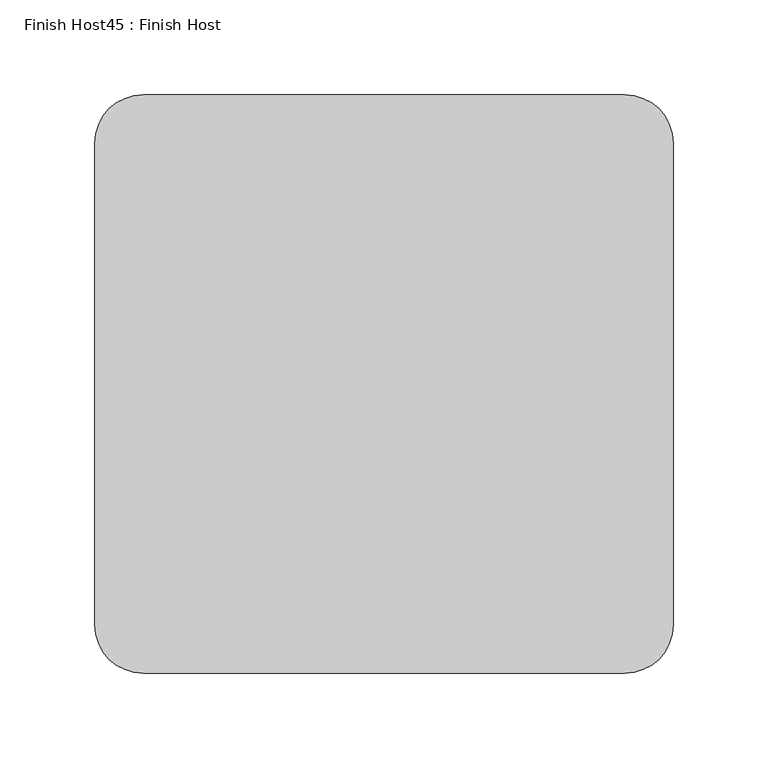
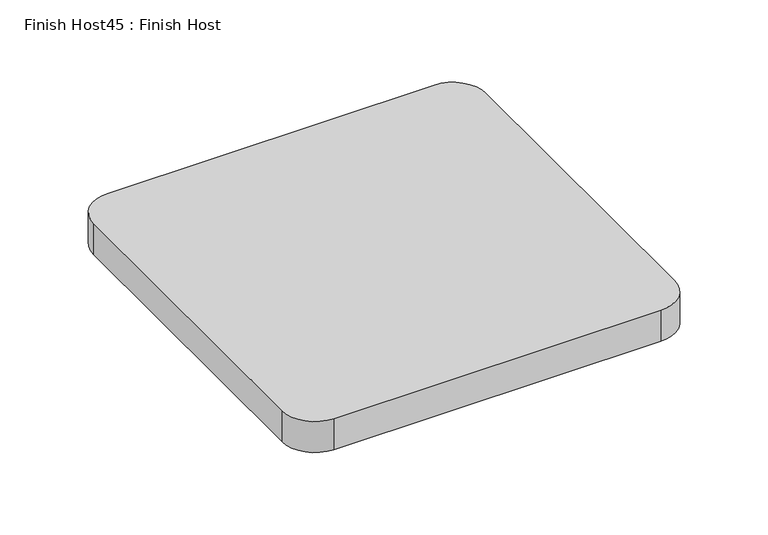
"""IFC4 building model written with IfcOpenShell, lengths in millimetres: proxy geometry, Finish Host45 : Finish Host."""

from ifc_helpers import new_model, si_unit, point, frame_2d, origin, origin_with_axes, place, context, project, spatial, polyline, circle_curve, trimmed, segment, composite_curve, outline, extrude, source, transform, mapped, element, save


def finish_host45_finish_host_f44af415(model_context):
    return source(origin(), model_context, "Body", "SweptSolid", [
        extrude(outline(composite_curve([segment(polyline([(3070.6934426, 1206.8122951), (3070.6934426, 1460.8122951)]), True, "CONTINUOUS"), segment(trimmed(circle_curve(frame_2d((3096.0934426, 1460.8122951)), 25.4), [point((3070.6934426, 1460.8122951))], [point((3096.0934426, 1486.2122951))], False, "CARTESIAN"), True, "CONTINUOUS"), segment(polyline([(3096.0934426, 1486.2122951), (3350.0934426, 1486.2122951)]), True, "CONTINUOUS"), segment(trimmed(circle_curve(frame_2d((3350.0934426, 1460.8122951)), 25.4), [point((3350.0934426, 1486.2122951))], [point((3375.4934426, 1460.8122951))], False, "CARTESIAN"), True, "CONTINUOUS"), segment(polyline([(3375.4934426, 1460.8122951), (3375.4934426, 1206.8122951)]), True, "CONTINUOUS"), segment(trimmed(circle_curve(frame_2d((3350.0934426, 1206.8122951)), 25.4), [point((3375.4934426, 1206.8122951))], [point((3350.0934426, 1181.4122951))], False, "CARTESIAN"), True, "CONTINUOUS"), segment(polyline([(3350.0934426, 1181.4122951), (3096.0934426, 1181.4122951)]), True, "CONTINUOUS"), segment(trimmed(circle_curve(frame_2d((3096.0934426, 1206.8122951)), 25.4), [point((3096.0934426, 1181.4122951))], [point((3070.6934426, 1206.8122951))], False, "CARTESIAN"), True, "CONTINUOUS")], self_intersect=False)), origin_with_axes(), (0.0, 0.0, 1.0), 25.4),
    ])


if __name__ == "__main__":
    model = new_model("IFC4")
    model_context = context("Model", 3, world=origin())
    ifc_project = project(units=[si_unit("LENGTHUNIT", "METRE", prefix="MILLI")], contexts=[model_context])
    site = spatial("IfcSite", under=ifc_project)
    building = spatial("IfcBuilding", under=site)
    placement = place(None, origin())
    finish_host45_finish_host_shape = finish_host45_finish_host_f44af415(model_context)
    element("IfcBuildingElementProxy", 1, Name="Finish Host45 : Finish Host", ObjectType="Finish Host45 : Finish Host", at=placement, inside=building, context=model_context, shape_type="MappedRepresentation", body=[
        mapped(finish_host45_finish_host_shape, transform((0.0, 0.0, 0.0), x_axis=(1.0, 0.0, 0.0), y_axis=(0.0, 1.0, 0.0), z_axis=(0.0, 0.0, 1.0))),
    ])
    save(model, "model.ifc")
